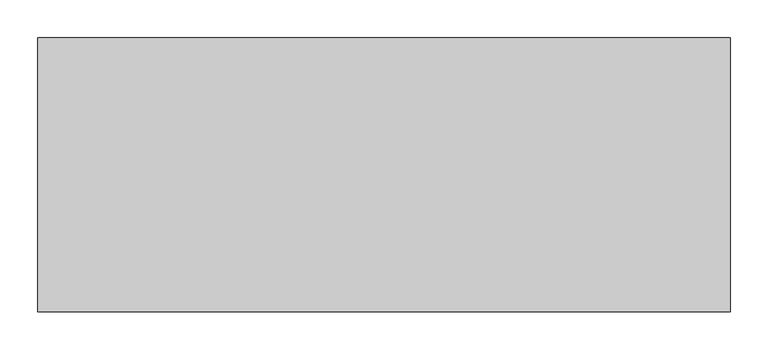
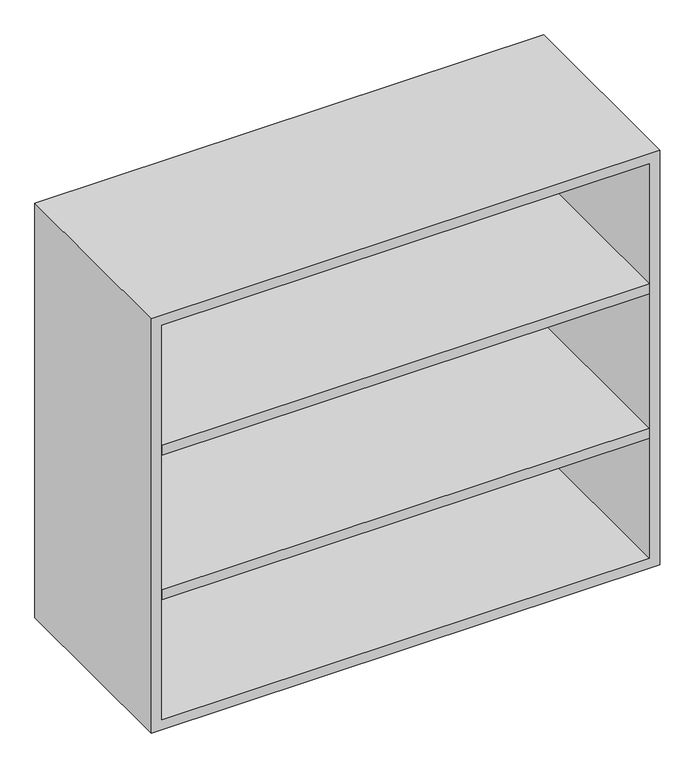
"""IFC4 building model written with IfcOpenShell, lengths in millimetres: furniture geometry."""

import ifcopenshell
import ifcopenshell.guid

model = None  # the IFC model being written
_history = None  # IfcOwnerHistory: only IFC2X3 demands one
_inside = {}  # id of a spatial element -> (the spatial element, [elements in it])
_under = {}  # id of a project, library or spatial element -> (it, [spatial elements below it])
_declared = {}  # id of a project -> (the project, [libraries it declares])
_typed = {}  # id of a type object -> (the type object, [elements of that type])
_made_of = {}  # id of a material, layer set ... -> (it, [elements and type objects made of it])


def new_model(schema):
    """Start an empty IFC model of exactly this schema.

    Asked for "IFC4X3", IfcOpenShell would pick the latest addendum, in which some entities
    have other attributes; the version numbers below select the first issue.
    IFC2X3 requires an IfcOwnerHistory on every rooted entity: one is made here for all.
    """
    global model, _history
    if schema == "IFC4X3":
        model = ifcopenshell.file(schema_version=(4, 3, 0, 0))
    else:
        model = ifcopenshell.file(schema=schema)
    _inside.clear()
    _under.clear()
    _declared.clear()
    _typed.clear()
    _made_of.clear()
    _history = None
    if model.schema == "IFC2X3":
        org = make("IfcOrganization", Name="unknown")
        user = make(
            "IfcPersonAndOrganization",
            ThePerson=make("IfcPerson", FamilyName="unknown"),
            TheOrganization=org,
        )
        app = make(
            "IfcApplication",
            ApplicationDeveloper=org,
            Version="unknown",
            ApplicationFullName="unknown",
            ApplicationIdentifier="unknown",
        )
        _history = make(
            "IfcOwnerHistory",
            OwningUser=user,
            OwningApplication=app,
            ChangeAction="ADDED",
            CreationDate=0,
        )
    return model


def make(cls, **values):
    """One entity of the class cls with the attributes given. An attribute that is None is left unset."""
    return model.create_entity(
        cls, **{name: value for name, value in values.items() if value is not None}
    )


def rooted(cls, **values):
    """An entity with a GlobalId (a new one), such as an element, a storey or a relation."""
    return make(cls, GlobalId=ifcopenshell.guid.new(), OwnerHistory=_history, **values)


def si_unit(unit_type, name, prefix=None):
    """IfcSIUnit, for example si_unit("LENGTHUNIT", "METRE", prefix="MILLI")."""
    return make("IfcSIUnit", UnitType=unit_type, Prefix=prefix, Name=name)


def assignment(units):
    """IfcUnitAssignment: the units of a project."""
    return None if units is None else make("IfcUnitAssignment", Units=units)


def point(xyz):
    """IfcCartesianPoint."""
    return None if xyz is None else make("IfcCartesianPoint", Coordinates=xyz)


def direction(xyz):
    """IfcDirection."""
    return None if xyz is None else make("IfcDirection", DirectionRatios=xyz)


def frame(location, z_axis=None, x_axis=None):
    """IfcAxis2Placement3D, a coordinate frame: its origin and axes. An axis left out is left unset."""
    return make(
        "IfcAxis2Placement3D",
        Location=point(location),
        Axis=direction(z_axis),
        RefDirection=direction(x_axis),
    )


def origin():
    """The frame at (0, 0, 0) with its axes left unset."""
    return frame((0.0, 0.0, 0.0))


def place(relative_to, where):
    """IfcLocalPlacement: puts the frame where relative to a parent placement (None: the world)."""
    return make(
        "IfcLocalPlacement", PlacementRelTo=relative_to, RelativePlacement=where
    )


def context(
    kind, dimensions, precision=None, world=None, true_north=None, identifier=None
):
    """IfcGeometricRepresentationContext, for example the 3D "Model" context."""
    return make(
        "IfcGeometricRepresentationContext",
        ContextIdentifier=identifier,
        ContextType=kind,
        CoordinateSpaceDimension=dimensions,
        Precision=precision,
        WorldCoordinateSystem=world,
        TrueNorth=true_north,
    )


def project(units=None, contexts=None):
    """IfcProject with its units and contexts."""
    return rooted(
        "IfcProject",
        Name="project",
        RepresentationContexts=contexts,
        UnitsInContext=assignment(units),
    )


def spatial(cls, under=None, at=None, **own):
    """A site, building, storey or space (cls), placed at a placement, below another one or the project."""
    s = rooted(cls, ObjectPlacement=at, **own)
    if under is not None:
        _under.setdefault(under.id(), (under, []))[1].append(s)
    return s


def polyline(points):
    """IfcPolyline through the points."""
    return make("IfcPolyline", Points=[point(p) for p in points])


def outline(outer, holes=None, kind="AREA"):
    """IfcArbitraryClosedProfileDef: a profile drawn as a closed curve; with holes, ...WithVoids."""
    if holes is None:
        return make("IfcArbitraryClosedProfileDef", ProfileType=kind, OuterCurve=outer)
    return make(
        "IfcArbitraryProfileDefWithVoids",
        ProfileType=kind,
        OuterCurve=outer,
        InnerCurves=holes,
    )


def extrude(swept, where, along, depth):
    """IfcExtrudedAreaSolid: the profile swept, set in the frame where, extruded along a direction by depth."""
    return make(
        "IfcExtrudedAreaSolid",
        SweptArea=swept,
        Position=where,
        ExtrudedDirection=direction(along),
        Depth=depth,
    )


def shape(context_of_items, identifier, shape_type, items):
    """IfcShapeRepresentation: the items that make up one representation, for example the "Body"."""
    return make(
        "IfcShapeRepresentation",
        ContextOfItems=context_of_items,
        RepresentationIdentifier=identifier,
        RepresentationType=shape_type,
        Items=items,
    )


def source(mapping_origin, context_of_items, identifier, shape_type, items):
    """IfcRepresentationMap: a shape defined once, which mapped items show again and again."""
    return make(
        "IfcRepresentationMap",
        MappingOrigin=mapping_origin,
        MappedRepresentation=shape(context_of_items, identifier, shape_type, items),
    )


def transform(
    local_origin,
    x_axis=None,
    y_axis=None,
    z_axis=None,
    scale=None,
    scale2=None,
    scale3=None,
    uniform=True,
):
    """IfcCartesianTransformationOperator3D, or its non-uniform kind. x_axis, y_axis, z_axis: its Axis1, 2, 3."""
    if uniform:
        return make(
            "IfcCartesianTransformationOperator3D",
            Axis1=direction(x_axis),
            Axis2=direction(y_axis),
            LocalOrigin=point(local_origin),
            Scale=scale,
            Axis3=direction(z_axis),
        )
    return make(
        "IfcCartesianTransformationOperator3DnonUniform",
        Axis1=direction(x_axis),
        Axis2=direction(y_axis),
        LocalOrigin=point(local_origin),
        Scale=scale,
        Axis3=direction(z_axis),
        Scale2=scale2,
        Scale3=scale3,
    )


def mapped(mapping_source, mapping_target):
    """IfcMappedItem: shows the shape of a source again, moved by a transform."""
    return make(
        "IfcMappedItem", MappingSource=mapping_source, MappingTarget=mapping_target
    )


def made_of(thing, what):
    """Note that an element or type object is made of a material, layer set ...; save() writes the relation."""
    if what is not None:
        _made_of.setdefault(what.id(), (what, []))[1].append(thing)
    return thing


def element(
    cls,
    number,
    at=None,
    inside=None,
    cuts=None,
    type_object=None,
    material=None,
    context=None,
    identifier="Body",
    shape_type=None,
    held_by="IfcProductDefinitionShape",
    body=None,
    shapes=None,
    **own,
):
    """One element of the class cls, such as IfcWall. Its Tag is "e" and its number.

    at: its placement. inside: the storey or other place that contains it. cuts: it is an
    opening in that element (IfcRelVoidsElement). A single representation is given by context,
    identifier, shape_type and body (its items); several are given by shapes. held_by: the class
    of the entity that holds the representations. save() writes the other relations.
    """
    e = rooted(cls, Tag="e%d" % number, ObjectPlacement=at, **own)
    if body is not None:
        shapes = [shape(context, identifier, shape_type, body)]
    if shapes is not None:
        e.Representation = make(held_by, Representations=shapes)
    if inside is not None:
        _inside.setdefault(inside.id(), (inside, []))[1].append(e)
    if cuts is not None:
        rooted(
            "IfcRelVoidsElement", RelatingBuildingElement=cuts, RelatedOpeningElement=e
        )
    if type_object is not None:
        _typed.setdefault(type_object.id(), (type_object, []))[1].append(e)
    return made_of(e, material)


def aggregate(whole, parts):
    """IfcRelAggregates: a whole, such as a stair, and the parts it consists of."""
    return rooted("IfcRelAggregates", RelatingObject=whole, RelatedObjects=parts)


def save(model, path):
    """Write the relations noted so far, then the file.

    IfcRelAggregates (storeys below a building ...), IfcRelContainedInSpatialStructure (elements
    in a storey), IfcRelDefinesByType, IfcRelAssociatesMaterial and IfcRelDeclares: one each for
    every whole, place, type object, material and project.
    """
    for whole, parts in _under.values():
        aggregate(whole, parts)
    for where, things in _inside.values():
        rooted(
            "IfcRelContainedInSpatialStructure",
            RelatedElements=things,
            RelatingStructure=where,
        )
    for kind, things in _typed.values():
        rooted("IfcRelDefinesByType", RelatedObjects=things, RelatingType=kind)
    for what, things in _made_of.values():
        rooted("IfcRelAssociatesMaterial", RelatedObjects=things, RelatingMaterial=what)
    for by, libraries in _declared.values():
        rooted("IfcRelDeclares", RelatingContext=by, RelatedDefinitions=libraries)
    model.write(path)


def furniture_81965aac(model_context):
    return source(origin(), model_context, "Body", "SweptSolid", [
        extrude(outline(polyline([(438.1569453, 161.925), (438.1569453, -180.975), (-438.1291641, -180.975), (-438.1291641, 161.925), (438.1569453, 161.925)])), frame((0.0, 0.0, 1258.3583333), z_axis=(0.0, 0.0, 1.0), x_axis=(1.0, 0.0, 0.0)), (0.0, 0.0, 1.0), 19.05),
        extrude(outline(polyline([(438.1569453, 161.925), (438.1569453, -180.975), (-438.1291641, -180.975), (-438.1291641, 161.925), (438.1569453, 161.925)])), frame((0.0, 0.0, 983.1916667), z_axis=(0.0, 0.0, 1.0), x_axis=(1.0, 0.0, 0.0)), (0.0, 0.0, 1.0), 19.05),
        extrude(outline(polyline([(736.6, -457.1861094), (736.6, 457.2138906), (1524.0, 457.2138906), (1524.0, -457.1861094), (736.6, -457.1861094)]), holes=[polyline([(755.65, -438.1361094), (1504.95, -438.1361094), (1504.95, 438.1569453), (755.65, 438.1569453), (755.65, -438.1361094)])]), frame((0.0, -180.975, 0.0), z_axis=(0.0, 1.0, 0.0), x_axis=(0.0, 0.0, 1.0)), (0.0, 0.0, 1.0), 361.95),
        extrude(outline(polyline([(-438.1291641, 161.925), (-438.1291641, 180.975), (438.1569453, 180.975), (438.1569453, 161.925), (-438.1291641, 161.925)])), frame((0.0, 0.0, 755.65), z_axis=(0.0, 0.0, 1.0), x_axis=(1.0, 0.0, 0.0)), (0.0, 0.0, 1.0), 749.3),
    ])


if __name__ == "__main__":
    model = new_model("IFC4")
    model_context = context("Model", 3, world=origin())
    ifc_project = project(units=[si_unit("LENGTHUNIT", "METRE", prefix="MILLI")], contexts=[model_context])
    site = spatial("IfcSite", under=ifc_project)
    building = spatial("IfcBuilding", under=site)
    placement = place(None, origin())
    furniture_shape = furniture_81965aac(model_context)
    element("IfcFurniture", 1, at=placement, inside=building, context=model_context, shape_type="MappedRepresentation", body=[
        mapped(furniture_shape, transform((0.0, 0.0, 0.0), x_axis=(1.0, 0.0, 0.0), y_axis=(0.0, 1.0, 0.0), z_axis=(0.0, 0.0, 1.0))),
    ])
    save(model, "model.ifc")
